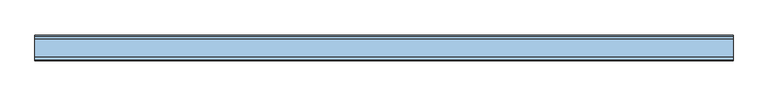
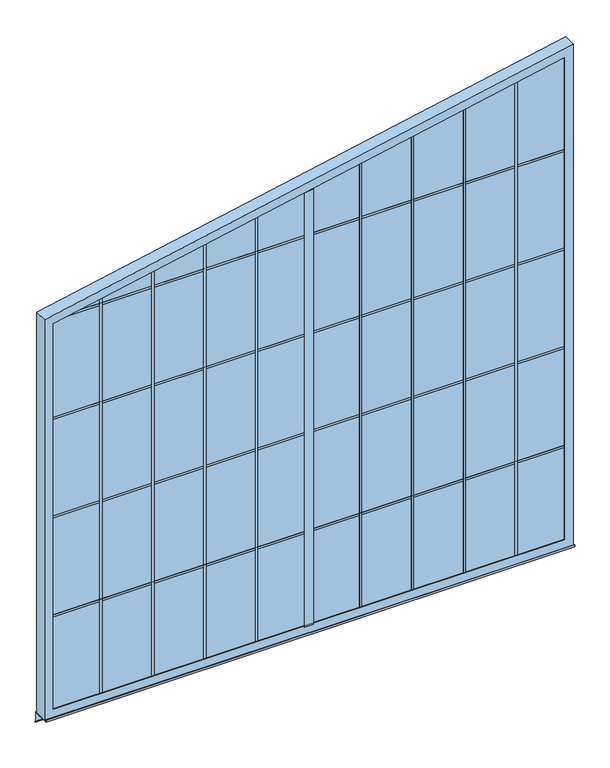
"""IFC4 building model written with IfcOpenShell, lengths in millimetres: window geometry."""

from ifc_helpers import new_model, si_unit, frame, origin, place, context, project, spatial, polyline, outline, extrude, faceted_brep, source, transform, mapped, element, save


def window_0d9254c1(model_context):
    return source(origin(), model_context, "Body", "SolidModel", [
        extrude(outline(polyline([(41.275, 1498.6), (41.275, 1549.4), (2694.305, 1549.4), (2684.145, 1498.6), (41.275, 1498.6)])), frame((0.0, -9.525, 0.0), z_axis=(0.0, 1.0, 0.0), x_axis=(0.0, 0.0, 1.0)), (0.0, 0.0, 1.0), 76.2),
        extrude(outline(polyline([(15.875, 3013.075), (15.875, 3025.775), (3018.155, 3025.775), (3015.615, 3013.075), (15.875, 3013.075)])), frame((0.0, -6.35, 0.0), z_axis=(0.0, 1.0, 0.0), x_axis=(0.0, 0.0, 1.0)), (0.0, 0.0, 1.0), 69.85),
        extrude(outline(polyline([(15.875, 2713.99), (15.875, 2726.69), (2958.338, 2726.69), (2955.798, 2713.99), (15.875, 2713.99)])), frame((0.0, -6.35, 0.0), z_axis=(0.0, 1.0, 0.0), x_axis=(0.0, 0.0, 1.0)), (0.0, 0.0, 1.0), 69.85),
        extrude(outline(polyline([(15.875, 2414.905), (15.875, 2427.605), (2898.521, 2427.605), (2895.981, 2414.905), (15.875, 2414.905)])), frame((0.0, -6.35, 0.0), z_axis=(0.0, 1.0, 0.0), x_axis=(0.0, 0.0, 1.0)), (0.0, 0.0, 1.0), 69.85),
        extrude(outline(polyline([(15.875, 2115.82), (15.875, 2128.52), (2838.704, 2128.52), (2836.164, 2115.82), (15.875, 2115.82)])), frame((0.0, -6.35, 0.0), z_axis=(0.0, 1.0, 0.0), x_axis=(0.0, 0.0, 1.0)), (0.0, 0.0, 1.0), 69.85),
        extrude(outline(polyline([(15.875, 1816.735), (15.875, 1829.435), (2778.887, 1829.435), (2776.347, 1816.735), (15.875, 1816.735)])), frame((0.0, -6.35, 0.0), z_axis=(0.0, 1.0, 0.0), x_axis=(0.0, 0.0, 1.0)), (0.0, 0.0, 1.0), 69.85),
        extrude(outline(polyline([(15.875, 1517.65), (15.875, 1530.35), (2719.07, 1530.35), (2716.53, 1517.65), (15.875, 1517.65)])), frame((0.0, -6.35, 0.0), z_axis=(0.0, 1.0, 0.0), x_axis=(0.0, 0.0, 1.0)), (0.0, 0.0, 1.0), 69.85),
        extrude(outline(polyline([(28.575, 63.5), (3019.425, 63.5), (3019.425, -6.35), (28.575, -6.35), (28.575, 63.5)])), frame((0.0, 0.0, 9.525), z_axis=(0.0, 0.0, 1.0), x_axis=(1.0, 0.0, 0.0)), (0.0, 0.0, 1.0), 12.7),
        extrude(outline(polyline([(3013.075, 3019.425), (3016.885, 3019.425), (3013.075, 3000.375), (3013.075, 3019.425)])), frame((0.0, -6.35, 0.0), z_axis=(0.0, 1.0, 0.0), x_axis=(0.0, 0.0, 1.0)), (0.0, 0.0, 1.0), 69.85),
        extrude(outline(polyline([(15.875, 1218.565), (15.875, 1231.265), (2659.253, 1231.265), (2656.713, 1218.565), (15.875, 1218.565)])), frame((0.0, -6.35, 0.0), z_axis=(0.0, 1.0, 0.0), x_axis=(0.0, 0.0, 1.0)), (0.0, 0.0, 1.0), 69.85),
        extrude(outline(polyline([(15.875, 919.48), (15.875, 932.18), (2599.436, 932.18), (2596.896, 919.48), (15.875, 919.48)])), frame((0.0, -6.35, 0.0), z_axis=(0.0, 1.0, 0.0), x_axis=(0.0, 0.0, 1.0)), (0.0, 0.0, 1.0), 69.85),
        extrude(outline(polyline([(15.875, 620.395), (15.875, 633.095), (2539.619, 633.095), (2537.079, 620.395), (15.875, 620.395)])), frame((0.0, -6.35, 0.0), z_axis=(0.0, 1.0, 0.0), x_axis=(0.0, 0.0, 1.0)), (0.0, 0.0, 1.0), 69.85),
        extrude(outline(polyline([(15.875, 321.31), (15.875, 334.01), (2479.802, 334.01), (2477.262, 321.31), (15.875, 321.31)])), frame((0.0, -6.35, 0.0), z_axis=(0.0, 1.0, 0.0), x_axis=(0.0, 0.0, 1.0)), (0.0, 0.0, 1.0), 69.85),
        extrude(outline(polyline([(15.875, 22.225), (15.875, 34.925), (2419.985, 34.925), (2417.445, 22.225), (15.875, 22.225)])), frame((0.0, -6.35, 0.0), z_axis=(0.0, 1.0, 0.0), x_axis=(0.0, 0.0, 1.0)), (0.0, 0.0, 1.0), 69.85),
        extrude(outline(polyline([(28.575, 63.5), (3019.425, 63.5), (3019.425, -6.35), (28.575, -6.35), (28.575, 63.5)])), frame((0.0, 0.0, 610.235), z_axis=(0.0, 0.0, 1.0), x_axis=(1.0, 0.0, 0.0)), (0.0, 0.0, 1.0), 12.7),
        extrude(outline(polyline([(28.575, 63.5), (3019.425, 63.5), (3019.425, -6.35), (28.575, -6.35), (28.575, 63.5)])), frame((0.0, 0.0, 1210.945), z_axis=(0.0, 0.0, 1.0), x_axis=(1.0, 0.0, 0.0)), (0.0, 0.0, 1.0), 12.7),
        extrude(outline(polyline([(28.575, 63.5), (3019.425, 63.5), (3019.425, -6.35), (28.575, -6.35), (28.575, 63.5)])), frame((0.0, 0.0, 1811.655), z_axis=(0.0, 0.0, 1.0), x_axis=(1.0, 0.0, 0.0)), (0.0, 0.0, 1.0), 12.7),
        extrude(outline(polyline([(2412.365, 3019.425), (2425.065, 3019.425), (2425.065, 60.325), (2418.715, 28.575), (2412.365, 28.575), (2412.365, 3019.425)])), frame((0.0, -6.35, 0.0), z_axis=(0.0, 1.0, 0.0), x_axis=(0.0, 0.0, 1.0)), (0.0, 0.0, 1.0), 69.85),
        faceted_brep([(2997.2, 63.5, 50.8), (2997.2, 66.675, 50.8), (50.8, 66.675, 50.8), (50.8, 63.5, 50.8), (50.8, 66.675, 2396.7539617), (50.8, 63.5, 2396.7539617), (0.0, 66.675, 2438.4), (3048.0, 66.675, 3048.0), (3048.0, 66.675, 0.0), (0.0, 66.675, 0.0), (2997.2, 66.675, 2986.0339617), (3.175, 63.5, 3.175), (3044.825, 63.5, 3.175), (3044.825, 63.5, 3044.1271226), (3.175, 63.5, 2435.7971226), (2997.2, 63.5, 2986.0339617), (3044.825, -6.35, 3.175), (3.175, -6.35, 3.175), (3.175, -6.35, 2435.7971226), (3044.825, -6.35, 3044.1271226), (50.8, -6.35, 50.8), (2997.2, -6.35, 50.8), (2997.2, -6.35, 2986.0339617), (50.8, -6.35, 2396.7539617), (2997.2, -9.525, 50.8), (50.8, -9.525, 50.8), (50.8, -9.525, 2396.7539617), (0.0, -9.525, 0.0), (3048.0, -9.525, 0.0), (3048.0, -9.525, 3048.0), (0.0, -9.525, 2438.4), (2997.2, -9.525, 2986.0339617)], [[[0, 1, 2, 3]], [[3, 2, 4, 5]], [[6, 7, 8, 9], [2, 1, 10, 4]], [[11, 12, 13, 14], [5, 15, 0, 3]], [[16, 12, 11, 17]], [[17, 11, 14, 18]], [[18, 19, 16, 17], [20, 21, 22, 23]], [[24, 21, 20, 25]], [[25, 20, 23, 26]], [[27, 28, 29, 30], [26, 31, 24, 25]], [[8, 28, 27, 9]], [[9, 27, 30, 6]], [[15, 10, 1, 0]], [[19, 13, 12, 16]], [[31, 22, 21, 24]], [[7, 29, 28, 8]], [[5, 4, 10, 15]], [[18, 14, 13, 19]], [[26, 23, 22, 31]], [[6, 30, 29, 7]]]),
        extrude(outline(polyline([(3026.095613, 3019.425), (2427.925613, 28.575), (15.875, 28.575), (15.875, 3019.425), (3026.095613, 3019.425)])), frame((0.0, -6.35, 0.0), z_axis=(0.0, 1.0, 0.0), x_axis=(0.0, 0.0, 1.0)), (0.0, 0.0, 1.0), 69.85),
        extrude(outline(polyline([(86.3027881, -67.139968), (85.1802561, -68.2625), (76.2, -59.2822439), (76.2, -1.5875), (-25.4, -1.5875), (-25.4, 11.1125), (-23.8125, 11.1125), (-23.8125, 0.0), (77.7875, 0.0), (77.7875, -58.6246798), (86.3027881, -67.139968)])), frame((0.0, 0.0, 0.0), z_axis=(1.0, 0.0, 0.0), x_axis=(0.0, 1.0, 0.0)), (0.0, 0.0, 1.0), 3048.0),
    ])


if __name__ == "__main__":
    model = new_model("IFC4")
    model_context = context("Model", 3, world=origin())
    ifc_project = project(units=[si_unit("LENGTHUNIT", "METRE", prefix="MILLI")], contexts=[model_context])
    site = spatial("IfcSite", under=ifc_project)
    building = spatial("IfcBuilding", under=site)
    placement = place(None, origin())
    window_shape = window_0d9254c1(model_context)
    element("IfcWindow", 1, at=placement, inside=building, context=model_context, shape_type="MappedRepresentation", body=[
        mapped(window_shape, transform((0.0, 0.0, 0.0), x_axis=(1.0, 0.0, 0.0), y_axis=(0.0, 1.0, 0.0), z_axis=(0.0, 0.0, 1.0))),
    ])
    save(model, "model.ifc")
